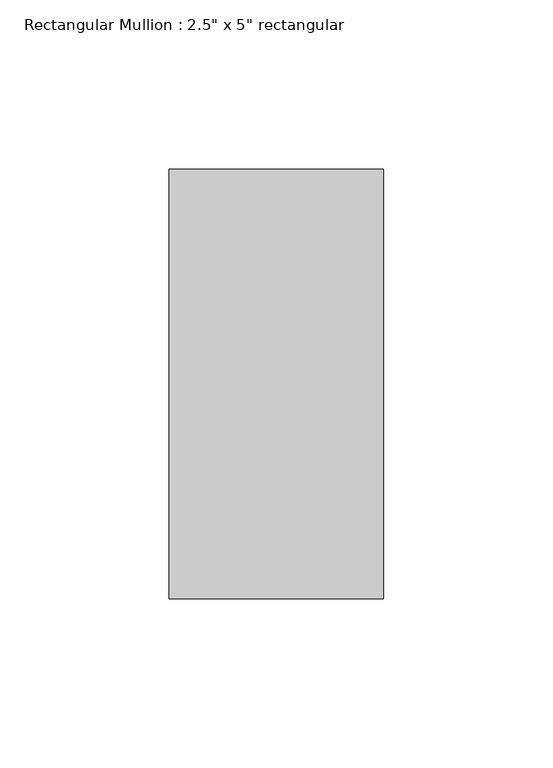
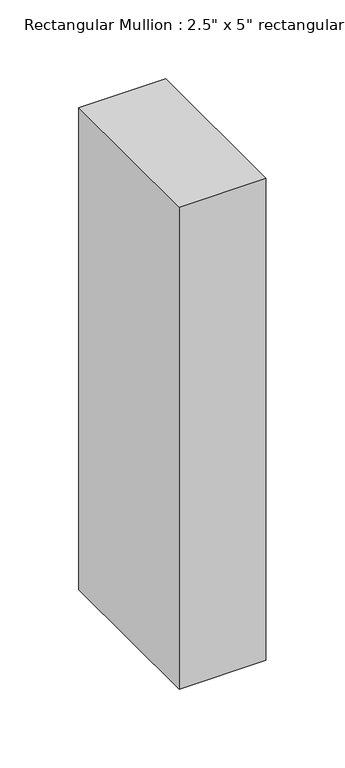
"""IFC4 building model written with IfcOpenShell, lengths in millimetres: member geometry."""

from ifc_helpers import new_model, si_unit, frame, origin, place, context, project, spatial, polyline, outline, extrude, source, transform, mapped, element, save


def member_15c031d8(model_context):
    return source(origin(), model_context, "Body", "SweptSolid", [
        extrude(outline(polyline([(0.0, 63.5), (0.0, -63.5), (-63.5, -63.5), (-63.5, 63.5), (0.0, 63.5)])), frame((0.0, 0.0, -373.0), z_axis=(0.0, 0.0, 1.0), x_axis=(1.0, 0.0, 0.0)), (0.0, 0.0, 1.0), 373.0),
    ])


if __name__ == "__main__":
    model = new_model("IFC4")
    model_context = context("Model", 3, world=origin())
    ifc_project = project(units=[si_unit("LENGTHUNIT", "METRE", prefix="MILLI")], contexts=[model_context])
    site = spatial("IfcSite", under=ifc_project)
    building = spatial("IfcBuilding", under=site)
    placement = place(None, origin())
    member_shape = member_15c031d8(model_context)
    element("IfcMember", 1, ObjectType="Rectangular Mullion : 2.5\" x 5\" rectangular", at=placement, inside=building, context=model_context, shape_type="MappedRepresentation", body=[
        mapped(member_shape, transform((0.0, 0.0, 0.0), x_axis=(1.0, 0.0, 0.0), y_axis=(0.0, 1.0, 0.0), z_axis=(0.0, 0.0, 1.0))),
    ])
    save(model, "model.ifc")
